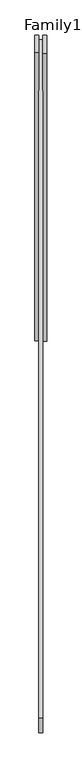
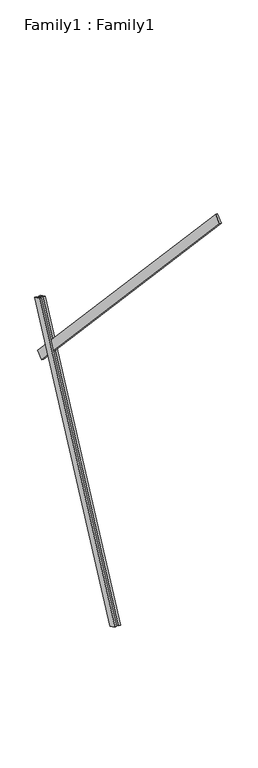
"""IFC4 building model written with IfcOpenShell, lengths in millimetres: proxy geometry, Family1 : Family1."""

from ifc_helpers import new_model, si_unit, frame, origin, place, context, project, spatial, polyline, outline, extrude, source, transform, mapped, element, save


def family1_family1_215015e7(model_context):
    return source(origin(), model_context, "Body", "SweptSolid", [
        extrude(outline(polyline([(0.0, 0.0), (0.0, -20.0), (-100.0000001, -20.0), (-100.0000001, 0.0), (0.0, 0.0)])), frame((-30.0, 46.3241747, -22.5938096), z_axis=(0.0, 0.4383711467890692, 0.8987940462991711), x_axis=(0.0, 0.8987940462991711, -0.4383711467890692)), (0.0, 0.0, 1.0), 3300.0),
        extrude(outline(polyline([(0.0, 0.0), (0.0, -20.0), (-99.9999999, -20.0), (-99.9999999, 0.0), (0.0, 0.0)])), frame((10.0, 45.270232, -22.0797674), z_axis=(0.0, 0.4383711467890692, 0.8987940462991711), x_axis=(0.0, 0.8987940462991711, -0.4383711467890692)), (0.0, 0.0, 1.0), 3300.0),
        extrude(outline(polyline([(0.0, 0.0), (0.0, -100.0), (-20.0, -100.0), (-20.0, 0.0), (0.0, 0.0)])), frame((10.0, 1469.7914074, 2330.0463767), z_axis=(0.0, -0.6819983600624974, 0.7313537016191717), x_axis=(1.0, 0.0, 0.0)), (0.0, 0.0, 1.0), 5000.0),
    ])


if __name__ == "__main__":
    model = new_model("IFC4")
    model_context = context("Model", 3, world=origin())
    ifc_project = project(units=[si_unit("LENGTHUNIT", "METRE", prefix="MILLI")], contexts=[model_context])
    site = spatial("IfcSite", under=ifc_project)
    building = spatial("IfcBuilding", under=site)
    placement = place(None, origin())
    family1_family1_shape = family1_family1_215015e7(model_context)
    element("IfcBuildingElementProxy", 1, Name="Family1 : Family1", ObjectType="Family1 : Family1", at=placement, inside=building, context=model_context, shape_type="MappedRepresentation", body=[
        mapped(family1_family1_shape, transform((0.0, 0.0, 0.0), x_axis=(1.0, 0.0, 0.0), y_axis=(0.0, 1.0, 0.0), z_axis=(0.0, 0.0, 1.0))),
    ])
    save(model, "model.ifc")
